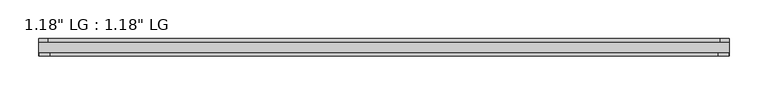
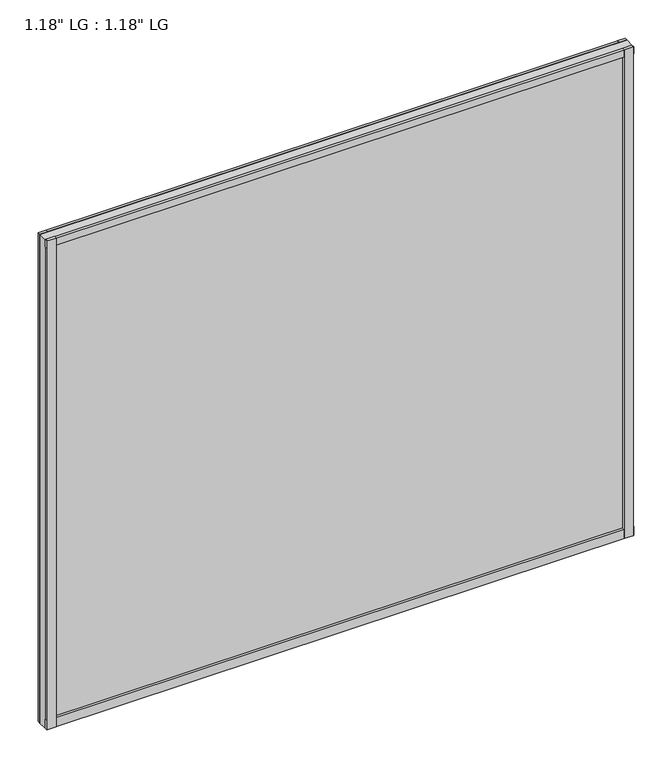
"""IFC4 building model written with IfcOpenShell, lengths in millimetres: plate geometry."""

from ifc_helpers import new_model, si_unit, frame, origin, origin_with_axes, place, context, project, spatial, polyline, outline, extrude, source, transform, mapped, element, save


def plate_893d64d0(model_context):
    return source(origin(), model_context, "Body", "SweptSolid", [
        extrude(outline(polyline([(444.5, 58.8264), (433.0474034, 58.8264), (433.0474034, 63.5), (444.5, 63.5), (444.5, 58.8264)])), origin_with_axes(), (0.0, 0.0, 1.0), 781.9522189),
        extrude(outline(polyline([(430.2806761, 45.212), (443.6843966, 45.212), (443.6843966, 41.021), (430.2806761, 41.021), (430.2806761, 45.212)])), origin_with_axes(), (0.0, 0.0, 1.0), 781.9522189),
        extrude(outline(polyline([(-432.9821913, 63.5), (-432.9821913, 58.8264), (-444.5, 58.8264), (-444.5, 63.5), (-432.9821913, 63.5)])), origin_with_axes(), (0.0, 0.0, 1.0), 781.9522189),
        extrude(outline(polyline([(-430.2909512, 45.212), (-430.2909512, 41.021), (-443.6843966, 41.021), (-443.6843966, 45.212), (-430.2909512, 45.212)])), origin_with_axes(), (0.0, 0.0, 1.0), 781.9522189),
        extrude(outline(polyline([(444.5, 63.5), (444.5, 58.8264), (-444.5, 58.8264), (-444.5, 63.5), (444.5, 63.5)])), origin_with_axes(), (0.0, 0.0, 1.0), 11.444324),
        extrude(outline(polyline([(444.5, 45.212), (444.5, 41.021), (-444.5, 41.021), (-444.5, 45.212), (444.5, 45.212)])), origin_with_axes(), (0.0, 0.0, 1.0), 14.1703966),
        extrude(outline(polyline([(444.5, 63.5), (444.5, 58.8264), (-444.5, 58.8264), (-444.5, 63.5), (444.5, 63.5)])), frame((0.0, 0.0, 770.2871162), z_axis=(0.0, 0.0, 1.0), x_axis=(1.0, 0.0, 0.0)), (0.0, 0.0, 1.0), 11.6651026),
        extrude(outline(polyline([(444.5, 45.212), (444.5, 41.021), (-444.5, 41.021), (-444.5, 45.212), (444.5, 45.212)])), frame((0.0, 0.0, 770.2871162), z_axis=(0.0, 0.0, 1.0), x_axis=(1.0, 0.0, 0.0)), (0.0, 0.0, 1.0), 11.6651026),
        extrude(outline(polyline([(444.5, 58.8264), (444.5, 45.212), (-444.5, 45.212), (-444.5, 58.8264), (444.5, 58.8264)])), origin_with_axes(), (0.0, 0.0, 1.0), 781.9522189),
    ])


if __name__ == "__main__":
    model = new_model("IFC4")
    model_context = context("Model", 3, world=origin())
    ifc_project = project(units=[si_unit("LENGTHUNIT", "METRE", prefix="MILLI")], contexts=[model_context])
    site = spatial("IfcSite", under=ifc_project)
    building = spatial("IfcBuilding", under=site)
    placement = place(None, origin())
    plate_shape = plate_893d64d0(model_context)
    element("IfcPlate", 1, ObjectType="1.18\" LG : 1.18\" LG", at=placement, inside=building, context=model_context, shape_type="MappedRepresentation", body=[
        mapped(plate_shape, transform((0.0, 0.0, 0.0), x_axis=(1.0, 0.0, 0.0), y_axis=(0.0, 1.0, 0.0), z_axis=(0.0, 0.0, 1.0))),
    ])
    save(model, "model.ifc")
